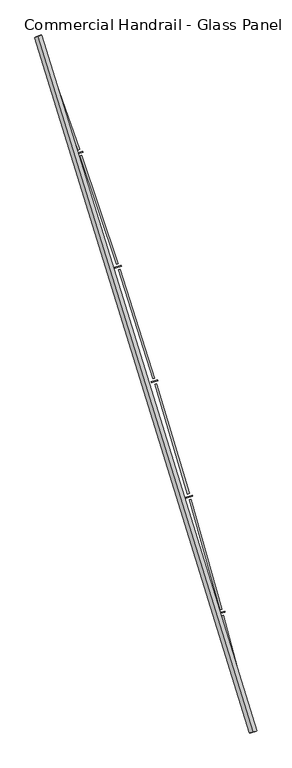
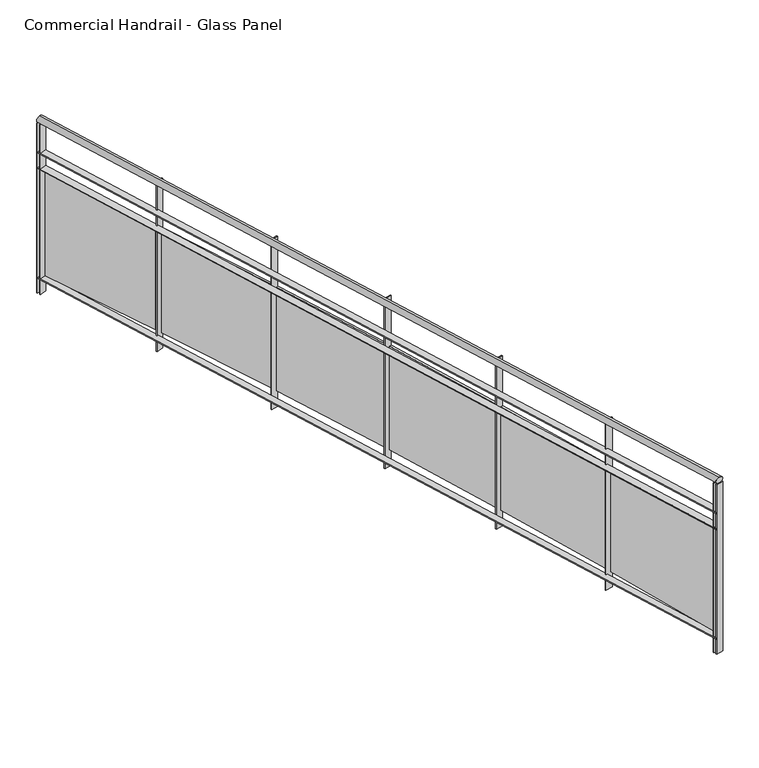
"""IFC4 building model written with IfcOpenShell, lengths in millimetres: railing geometry, Commercial Handrail - Glass Panel."""

from ifc_helpers import new_model, si_unit, point, frame, origin, place, context, project, spatial, polyline, circle_curve, ellipse_curve, trimmed, outline, extrude, source, transform, mapped, element, save
from ifc_brep_helpers import plane_surface, cylinder_surface, revolved_surface, advanced_brep


def commercial_handrail_glass_panel_52dc0765(model_context):
    return source(origin(), model_context, "Body", "SolidModel", [
        advanced_brep(
        [(180775.6028582, -41782.2225015, 26482.5), (179346.0628414, -37160.8311359, 26482.5), (179346.0628414, -37160.8311359, 26517.5), (180775.6028582, -41782.2225015, 26517.5)],
        [
            (0, 1, circle_curve(frame((134505.1876621, -53563.3040857, 26482.5), z_axis=(0.0, 0.0, 1.0), x_axis=(0.9391412678699065, 0.3435311906999195, 0.0)), 47746.6774311)),
            (1, 2, ellipse_curve(frame((179346.0628414, -37160.8311359, 26500.0), z_axis=(0.34353119069991334, -0.9391412678699089, 0.0), x_axis=(-0.9391412678699087, -0.3435311906999133, 0.0)), 25.0, 17.5)),
            (2, 3, circle_curve(frame((134505.1876621, -53563.3040857, 26517.5), z_axis=(0.0, 0.0, -1.0), x_axis=(0.9391412678699065, 0.3435311906999195, 0.0)), 47746.6774311)),
            (3, 0, ellipse_curve(frame((180775.6028582, -41782.2225015, 26500.0), z_axis=(-0.24674139056469252, 0.969081362003316, 0.0), x_axis=(-0.969081362003316, -0.24674139056469252, 0.0)), 25.0, 17.5)),
            (2, 1, ellipse_curve(frame((179346.0628414, -37160.8311359, 26500.0), z_axis=(0.34353119069991334, -0.9391412678699089, 0.0), x_axis=(-0.9391412678699087, -0.3435311906999133, 0.0)), 25.0, 17.5)),
            (0, 3, ellipse_curve(frame((180775.6028582, -41782.2225015, 26500.0), z_axis=(-0.24674139056469252, 0.969081362003316, 0.0), x_axis=(-0.969081362003316, -0.24674139056469252, 0.0)), 25.0, 17.5)),
        ],
        [
            revolved_surface(trimmed(ellipse_curve(frame((179346.0628414, -37160.8311359, 26500.0), z_axis=(-0.3435311906999195, 0.9391412678699065, 0.0), x_axis=(0.0, 0.0, -1.0)), 17.5, 25.0), [point((179346.0628414, -37160.8311359, 26517.5))], [point((179346.0628414, -37160.8311359, 26482.5))], True, "CARTESIAN"), (134505.1876621, -53563.3040857, 26500.0), (0.0, 0.0, -1.0)),
            revolved_surface(trimmed(ellipse_curve(frame((179346.0628414, -37160.8311359, 26500.0), z_axis=(-0.3435311906999195, 0.9391412678699065, 0.0), x_axis=(0.0, 0.0, -1.0)), 17.5, 25.0), [point((179346.0628414, -37160.8311359, 26482.5))], [point((179346.0628414, -37160.8311359, 26517.5))], True, "CARTESIAN"), (134505.1876621, -53563.3040857, 26500.0), (0.0, 0.0, -1.0)),
            plane_surface(frame((179346.0628414, -37160.8311359, 26500.0), z_axis=(-0.3435311906999195, 0.9391412678699065, 0.0), x_axis=(0.9391412678699065, 0.3435311906999195, 0.0))),
            plane_surface(frame((180775.6028582, -41782.2225015, 26500.0), z_axis=(0.24674139056469271, -0.9690813620033158, 0.0), x_axis=(0.9690813620033158, 0.24674139056469271, 0.0))),
        ],
        [
            (0, [[1, 2, 3, 4]]),
            (1, [[-3, 5, -1, 6]]),
            (2, [[-2, -5]]),
            (3, [[-6, -4]]),
        ],
    ),
        advanced_brep(
        [(180797.4071889, -41776.6708203, 26300.0), (179367.1935199, -37153.1016841, 26300.0), (179324.9321629, -37168.5605877, 26300.0), (180753.7985276, -41787.7741828, 26300.0), (180797.4071889, -41776.6708203, 26294.0), (179367.1935199, -37153.1016841, 26294.0), (180753.7985276, -41787.7741828, 26294.0), (179324.9321629, -37168.5605877, 26294.0)],
        [
            (0, 1, circle_curve(frame((134505.1876621, -53563.3040857, 26300.0), z_axis=(0.0, 0.0, 1.0), x_axis=(0.9391412678699065, 0.3435311906999195, 0.0)), 47769.1774311)),
            (1, 2),
            (2, 3, circle_curve(frame((134505.1876621, -53563.3040857, 26300.0), z_axis=(0.0, 0.0, -1.0), x_axis=(0.9391412678699065, 0.3435311906999195, 0.0)), 47724.1774311)),
            (3, 0),
            (4, 5, circle_curve(frame((134505.1876621, -53563.3040857, 26294.0), z_axis=(0.0, 0.0, 1.0), x_axis=(0.9391412678699065, 0.3435311906999195, 0.0)), 47769.1774311)),
            (5, 1),
            (0, 4),
            (6, 7, circle_curve(frame((134505.1876621, -53563.3040857, 26294.0), z_axis=(0.0, 0.0, 1.0), x_axis=(0.9391412678699065, 0.3435311906999195, 0.0)), 47724.1774311)),
            (7, 5),
            (4, 6),
            (2, 7),
            (6, 3),
        ],
        [
            plane_surface(frame((134505.1876621, -53563.3040857, 26300.0), z_axis=(0.0, 0.0, 1.0), x_axis=(0.9391412678699065, 0.3435311906999195, 0.0))),
            cylinder_surface(frame((134505.1876621, -53563.3040857, 26300.0), z_axis=(0.0, 0.0, -1.0), x_axis=(0.9391412678699065, 0.3435311906999195, 0.0)), 47769.1774311),
            plane_surface(frame((134505.1876621, -53563.3040857, 26294.0), z_axis=(0.0, 0.0, -1.0), x_axis=(0.9391412678699065, 0.3435311906999195, 0.0))),
            revolved_surface(polyline([(179324.93216279164, -37168.56058762, 26294.0), (179324.93216279164, -37168.56058762, 26300.0)]), (134505.1876621, -53563.3040857, 26300.0), (0.0, 0.0, -1.0)),
            plane_surface(frame((179346.0628414, -37160.8311359, 26300.0), z_axis=(-0.3435311906999195, 0.9391412678699065, 0.0), x_axis=(0.9391412678699065, 0.3435311906999195, 0.0))),
            plane_surface(frame((180775.6028582, -41782.2225015, 26300.0), z_axis=(0.24674139056469271, -0.9690813620033158, 0.0), x_axis=(0.9690813620033158, 0.24674139056469271, 0.0))),
        ],
        [
            (0, [[1, 2, 3, 4]]),
            (1, [[5, 6, -1, 7]]),
            (2, [[8, 9, -5, 10]]),
            (3, [[-3, 11, -8, 12]]),
            (4, [[-2, -6, -9, -11]]),
            (5, [[-12, -10, -7, -4]]),
        ],
    ),
        advanced_brep(
        [(180797.4071889, -41776.6708203, 26200.0), (179367.1935199, -37153.1016841, 26200.0), (179324.9321629, -37168.5605877, 26200.0), (180753.7985276, -41787.7741828, 26200.0), (180797.4071889, -41776.6708203, 26194.0), (179367.1935199, -37153.1016841, 26194.0), (180753.7985276, -41787.7741828, 26194.0), (179324.9321629, -37168.5605877, 26194.0)],
        [
            (0, 1, circle_curve(frame((134505.1876621, -53563.3040857, 26200.0), z_axis=(0.0, 0.0, 1.0), x_axis=(0.9391412678699065, 0.3435311906999195, 0.0)), 47769.1774311)),
            (1, 2),
            (2, 3, circle_curve(frame((134505.1876621, -53563.3040857, 26200.0), z_axis=(0.0, 0.0, -1.0), x_axis=(0.9391412678699065, 0.3435311906999195, 0.0)), 47724.1774311)),
            (3, 0),
            (4, 5, circle_curve(frame((134505.1876621, -53563.3040857, 26194.0), z_axis=(0.0, 0.0, 1.0), x_axis=(0.9391412678699065, 0.3435311906999195, 0.0)), 47769.1774311)),
            (5, 1),
            (0, 4),
            (6, 7, circle_curve(frame((134505.1876621, -53563.3040857, 26194.0), z_axis=(0.0, 0.0, 1.0), x_axis=(0.9391412678699065, 0.3435311906999195, 0.0)), 47724.1774311)),
            (7, 5),
            (4, 6),
            (2, 7),
            (6, 3),
        ],
        [
            plane_surface(frame((134505.1876621, -53563.3040857, 26200.0), z_axis=(0.0, 0.0, 1.0), x_axis=(0.9391412678699065, 0.3435311906999195, 0.0))),
            cylinder_surface(frame((134505.1876621, -53563.3040857, 26200.0), z_axis=(0.0, 0.0, -1.0), x_axis=(0.9391412678699065, 0.3435311906999195, 0.0)), 47769.1774311),
            plane_surface(frame((134505.1876621, -53563.3040857, 26194.0), z_axis=(0.0, 0.0, -1.0), x_axis=(0.9391412678699065, 0.3435311906999195, 0.0))),
            revolved_surface(polyline([(179324.93216279164, -37168.56058762, 26194.0), (179324.93216279164, -37168.56058762, 26200.0)]), (134505.1876621, -53563.3040857, 26200.0), (0.0, 0.0, -1.0)),
            plane_surface(frame((179346.0628414, -37160.8311359, 26200.0), z_axis=(-0.3435311906999195, 0.9391412678699065, 0.0), x_axis=(0.9391412678699065, 0.3435311906999195, 0.0))),
            plane_surface(frame((180775.6028582, -41782.2225015, 26200.0), z_axis=(0.24674139056469271, -0.9690813620033158, 0.0), x_axis=(0.9690813620033158, 0.24674139056469271, 0.0))),
        ],
        [
            (0, [[1, 2, 3, 4]]),
            (1, [[5, 6, -1, 7]]),
            (2, [[8, 9, -5, 10]]),
            (3, [[-3, 11, -8, 12]]),
            (4, [[-2, -6, -9, -11]]),
            (5, [[-12, -10, -7, -4]]),
        ],
    ),
        advanced_brep(
        [(180797.4071889, -41776.6708203, 25500.0), (179367.1935199, -37153.1016841, 25500.0), (179324.9321629, -37168.5605877, 25500.0), (180753.7985276, -41787.7741828, 25500.0), (180797.4071889, -41776.6708203, 25494.0), (179367.1935199, -37153.1016841, 25494.0), (180753.7985276, -41787.7741828, 25494.0), (179324.9321629, -37168.5605877, 25494.0)],
        [
            (0, 1, circle_curve(frame((134505.1876621, -53563.3040857, 25500.0), z_axis=(0.0, 0.0, 1.0), x_axis=(0.9391412678699065, 0.3435311906999195, 0.0)), 47769.1774311)),
            (1, 2),
            (2, 3, circle_curve(frame((134505.1876621, -53563.3040857, 25500.0), z_axis=(0.0, 0.0, -1.0), x_axis=(0.9391412678699065, 0.3435311906999195, 0.0)), 47724.1774311)),
            (3, 0),
            (4, 5, circle_curve(frame((134505.1876621, -53563.3040857, 25494.0), z_axis=(0.0, 0.0, 1.0), x_axis=(0.9391412678699065, 0.3435311906999195, 0.0)), 47769.1774311)),
            (5, 1),
            (0, 4),
            (6, 7, circle_curve(frame((134505.1876621, -53563.3040857, 25494.0), z_axis=(0.0, 0.0, 1.0), x_axis=(0.9391412678699065, 0.3435311906999195, 0.0)), 47724.1774311)),
            (7, 5),
            (4, 6),
            (2, 7),
            (6, 3),
        ],
        [
            plane_surface(frame((134505.1876621, -53563.3040857, 25500.0), z_axis=(0.0, 0.0, 1.0), x_axis=(0.9391412678699065, 0.3435311906999195, 0.0))),
            cylinder_surface(frame((134505.1876621, -53563.3040857, 25500.0), z_axis=(0.0, 0.0, -1.0), x_axis=(0.9391412678699065, 0.3435311906999195, 0.0)), 47769.1774311),
            plane_surface(frame((134505.1876621, -53563.3040857, 25494.0), z_axis=(0.0, 0.0, -1.0), x_axis=(0.9391412678699065, 0.3435311906999195, 0.0))),
            revolved_surface(polyline([(179324.93216279164, -37168.56058762, 25494.0), (179324.93216279164, -37168.56058762, 25500.0)]), (134505.1876621, -53563.3040857, 25500.0), (0.0, 0.0, -1.0)),
            plane_surface(frame((179346.0628414, -37160.8311359, 25500.0), z_axis=(-0.3435311906999195, 0.9391412678699065, 0.0), x_axis=(0.9391412678699065, 0.3435311906999195, 0.0))),
            plane_surface(frame((180775.6028582, -41782.2225015, 25500.0), z_axis=(0.24674139056469271, -0.9690813620033158, 0.0), x_axis=(0.9690813620033158, 0.24674139056469271, 0.0))),
        ],
        [
            (0, [[1, 2, 3, 4]]),
            (1, [[5, 6, -1, 7]]),
            (2, [[8, 9, -5, 10]]),
            (3, [[-3, 11, -8, 12]]),
            (4, [[-2, -6, -9, -11]]),
            (5, [[-12, -10, -7, -4]]),
        ],
    ),
        extrude(outline(polyline([(180748.1806794, -41765.7315693), (180791.7847427, -41754.6101634), (180793.2675968, -41760.4240385), (180749.6635336, -41771.5454444), (180748.1806794, -41765.7315693)])), frame((0.0, 0.0, 25400.0), z_axis=(0.0, 0.0, 1.0), x_axis=(1.0, 0.0, 0.0)), (0.0, 0.0, 1.0), 1082.1192282),
        extrude(outline(polyline([(180579.0506002, -41006.960836), (180773.041554, -41741.7856518), (180761.4390569, -41744.8486668), (180567.4481031, -41010.0238511), (180579.0506002, -41006.960836)])), frame((0.0, 0.0, 25520.0), z_axis=(0.0, 0.0, 1.0), x_axis=(1.0, 0.0, 0.0)), (0.0, 0.0, 1.0), 660.0),
        extrude(outline(polyline([(180544.0296903, -40992.6181386), (180587.4413017, -40980.7677378), (180589.0213551, -40986.5559526), (180545.6097438, -40998.4063534), (180544.0296903, -40992.6181386)])), frame((0.0, 0.0, 25400.0), z_axis=(0.0, 0.0, 1.0), x_axis=(1.0, 0.0, 0.0)), (0.0, 0.0, 1.0), 1082.1192282),
        extrude(outline(polyline([(180362.2106717, -40236.7875664), (180568.485878, -40968.2590554), (180556.9363282, -40971.5160323), (180350.6611219, -40240.0445433), (180362.2106717, -40236.7875664)])), frame((0.0, 0.0, 25520.0), z_axis=(0.0, 0.0, 1.0), x_axis=(1.0, 0.0, 0.0)), (0.0, 0.0, 1.0), 660.0),
        extrude(outline(polyline([(180326.9543755, -40223.0336333), (180370.1613482, -40210.4575643), (180371.8381574, -40216.218494), (180328.6311847, -40228.794563), (180326.9543755, -40223.0336333)])), frame((0.0, 0.0, 25400.0), z_axis=(0.0, 0.0, 1.0), x_axis=(1.0, 0.0, 0.0)), (0.0, 0.0, 1.0), 1082.1192282),
        extrude(outline(polyline([(180132.4974589, -39470.3554039), (180350.9990108, -40198.2682227), (180339.5056505, -40201.7182472), (180121.0040986, -39473.8054284), (180132.4974589, -39470.3554039)])), frame((0.0, 0.0, 25520.0), z_axis=(0.0, 0.0, 1.0), x_axis=(1.0, 0.0, 0.0)), (0.0, 0.0, 1.0), 660.0),
        extrude(outline(polyline([(180097.0156738, -39457.1940962), (180140.0058784, -39443.8958894), (180141.7789726, -39449.6279167), (180098.788768, -39462.9261235), (180097.0156738, -39457.1940962)])), frame((0.0, 0.0, 25400.0), z_axis=(0.0, 0.0, 1.0), x_axis=(1.0, 0.0, 0.0)), (0.0, 0.0, 1.0), 1082.1192282),
        extrude(outline(polyline([(179889.9754484, -38707.8795063), (180120.6420068, -39432.0293105), (180109.2080625, -39435.6714141), (179878.5415042, -38711.5216099), (179889.9754484, -38707.8795063)])), frame((0.0, 0.0, 25520.0), z_axis=(0.0, 0.0, 1.0), x_axis=(1.0, 0.0, 0.0)), (0.0, 0.0, 1.0), 660.0),
        extrude(outline(polyline([(179854.278135, -38695.3145188), (179897.0395032, -38681.2979075), (179898.9083847, -38686.9994232), (179856.1470165, -38701.0160346), (179854.278135, -38695.3145188)])), frame((0.0, 0.0, 25400.0), z_axis=(0.0, 0.0, 1.0), x_axis=(1.0, 0.0, 0.0)), (0.0, 0.0, 1.0), 1082.1192282),
        extrude(outline(polyline([(179634.7127226, -37949.5739211), (179877.4795332, -38669.7574225), (179866.1082147, -38673.5905826), (179623.3414042, -37953.4070812), (179634.7127226, -37949.5739211)])), frame((0.0, 0.0, 25520.0), z_axis=(0.0, 0.0, 1.0), x_axis=(1.0, 0.0, 0.0)), (0.0, 0.0, 1.0), 660.0),
        extrude(outline(polyline([(179598.8099021, -37937.608781), (179641.3304295, -37922.8776999), (179643.2945737, -37928.5471036), (179600.7740463, -37943.2781847), (179598.8099021, -37937.608781)])), frame((0.0, 0.0, 25400.0), z_axis=(0.0, 0.0, 1.0), x_axis=(1.0, 0.0, 0.0)), (0.0, 0.0, 1.0), 1082.1192282),
        extrude(outline(polyline([(179366.7809405, -37195.6515245), (179621.5798522, -37911.6665486), (179610.2743518, -37915.6896893), (179355.4754402, -37199.6746652), (179366.7809405, -37195.6515245)])), frame((0.0, 0.0, 25520.0), z_axis=(0.0, 0.0, 1.0), x_axis=(1.0, 0.0, 0.0)), (0.0, 0.0, 1.0), 660.0),
        extrude(outline(polyline([(179330.6826918, -37184.2895909), (179372.9504418, -37168.8481755), (179375.0092972, -37174.4838755), (179332.7415472, -37189.9252909), (179330.6826918, -37184.2895909)])), frame((0.0, 0.0, 25400.0), z_axis=(0.0, 0.0, 1.0), x_axis=(1.0, 0.0, 0.0)), (0.0, 0.0, 1.0), 1082.1192282),
        extrude(outline(polyline([(180753.0583034, -41784.8669387), (180796.6669647, -41773.7635762), (180798.147413, -41779.5780643), (180754.5387518, -41790.6814269), (180753.0583034, -41784.8669387)])), frame((0.0, 0.0, 25400.0), z_axis=(0.0, 0.0, 1.0), x_axis=(1.0, 0.0, 0.0)), (0.0, 0.0, 1.0), 1082.1192282),
        extrude(outline(polyline([(179323.9015693, -37165.7431638), (179366.1629263, -37150.2842603), (179368.2241135, -37155.9191079), (179325.9627564, -37171.3780115), (179323.9015693, -37165.7431638)])), frame((0.0, 0.0, 25400.0), z_axis=(0.0, 0.0, 1.0), x_axis=(1.0, 0.0, 0.0)), (0.0, 0.0, 1.0), 1082.1192282),
    ])


if __name__ == "__main__":
    model = new_model("IFC4")
    model_context = context("Model", 3, world=origin())
    ifc_project = project(units=[si_unit("LENGTHUNIT", "METRE", prefix="MILLI")], contexts=[model_context])
    site = spatial("IfcSite", under=ifc_project)
    building = spatial("IfcBuilding", under=site)
    placement = place(None, origin())
    commercial_handrail_glass_panel_shape = commercial_handrail_glass_panel_52dc0765(model_context)
    element("IfcRailing", 1, ObjectType="Commercial Handrail - Glass Panel", at=placement, inside=building, context=model_context, shape_type="MappedRepresentation", body=[
        mapped(commercial_handrail_glass_panel_shape, transform((0.0, 0.0, 0.0), x_axis=(1.0, 0.0, 0.0), y_axis=(0.0, 1.0, 0.0), z_axis=(0.0, 0.0, 1.0))),
    ])
    save(model, "model.ifc")
